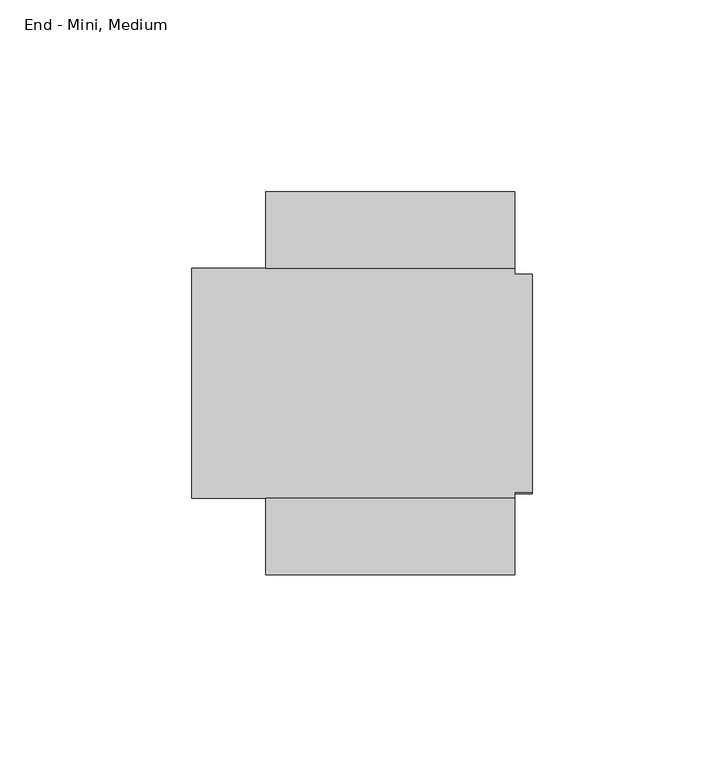
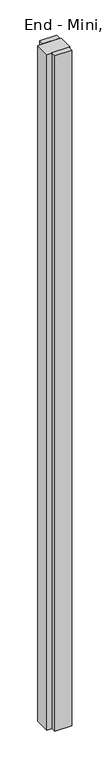
"""IFC4 building model written with IfcOpenShell, lengths in millimetres: furniture geometry, End - Mini, Medium."""

import ifcopenshell
import ifcopenshell.guid

model = None  # the IFC model being written
_history = None  # IfcOwnerHistory: only IFC2X3 demands one
_inside = {}  # id of a spatial element -> (the spatial element, [elements in it])
_under = {}  # id of a project, library or spatial element -> (it, [spatial elements below it])
_declared = {}  # id of a project -> (the project, [libraries it declares])
_typed = {}  # id of a type object -> (the type object, [elements of that type])
_made_of = {}  # id of a material, layer set ... -> (it, [elements and type objects made of it])


def new_model(schema):
    """Start an empty IFC model of exactly this schema.

    Asked for "IFC4X3", IfcOpenShell would pick the latest addendum, in which some entities
    have other attributes; the version numbers below select the first issue.
    IFC2X3 requires an IfcOwnerHistory on every rooted entity: one is made here for all.
    """
    global model, _history
    if schema == "IFC4X3":
        model = ifcopenshell.file(schema_version=(4, 3, 0, 0))
    else:
        model = ifcopenshell.file(schema=schema)
    _inside.clear()
    _under.clear()
    _declared.clear()
    _typed.clear()
    _made_of.clear()
    _history = None
    if model.schema == "IFC2X3":
        org = make("IfcOrganization", Name="unknown")
        user = make(
            "IfcPersonAndOrganization",
            ThePerson=make("IfcPerson", FamilyName="unknown"),
            TheOrganization=org,
        )
        app = make(
            "IfcApplication",
            ApplicationDeveloper=org,
            Version="unknown",
            ApplicationFullName="unknown",
            ApplicationIdentifier="unknown",
        )
        _history = make(
            "IfcOwnerHistory",
            OwningUser=user,
            OwningApplication=app,
            ChangeAction="ADDED",
            CreationDate=0,
        )
    return model


def make(cls, **values):
    """One entity of the class cls with the attributes given. An attribute that is None is left unset."""
    return model.create_entity(
        cls, **{name: value for name, value in values.items() if value is not None}
    )


def rooted(cls, **values):
    """An entity with a GlobalId (a new one), such as an element, a storey or a relation."""
    return make(cls, GlobalId=ifcopenshell.guid.new(), OwnerHistory=_history, **values)


def si_unit(unit_type, name, prefix=None):
    """IfcSIUnit, for example si_unit("LENGTHUNIT", "METRE", prefix="MILLI")."""
    return make("IfcSIUnit", UnitType=unit_type, Prefix=prefix, Name=name)


def assignment(units):
    """IfcUnitAssignment: the units of a project."""
    return None if units is None else make("IfcUnitAssignment", Units=units)


def point(xyz):
    """IfcCartesianPoint."""
    return None if xyz is None else make("IfcCartesianPoint", Coordinates=xyz)


def direction(xyz):
    """IfcDirection."""
    return None if xyz is None else make("IfcDirection", DirectionRatios=xyz)


def frame(location, z_axis=None, x_axis=None):
    """IfcAxis2Placement3D, a coordinate frame: its origin and axes. An axis left out is left unset."""
    return make(
        "IfcAxis2Placement3D",
        Location=point(location),
        Axis=direction(z_axis),
        RefDirection=direction(x_axis),
    )


def origin():
    """The frame at (0, 0, 0) with its axes left unset."""
    return frame((0.0, 0.0, 0.0))


def origin_with_axes():
    """The frame at (0, 0, 0) with the z axis (0, 0, 1) and the x axis (1, 0, 0) written out."""
    return frame((0.0, 0.0, 0.0), z_axis=(0.0, 0.0, 1.0), x_axis=(1.0, 0.0, 0.0))


def place(relative_to, where):
    """IfcLocalPlacement: puts the frame where relative to a parent placement (None: the world)."""
    return make(
        "IfcLocalPlacement", PlacementRelTo=relative_to, RelativePlacement=where
    )


def context(
    kind, dimensions, precision=None, world=None, true_north=None, identifier=None
):
    """IfcGeometricRepresentationContext, for example the 3D "Model" context."""
    return make(
        "IfcGeometricRepresentationContext",
        ContextIdentifier=identifier,
        ContextType=kind,
        CoordinateSpaceDimension=dimensions,
        Precision=precision,
        WorldCoordinateSystem=world,
        TrueNorth=true_north,
    )


def project(units=None, contexts=None):
    """IfcProject with its units and contexts."""
    return rooted(
        "IfcProject",
        Name="project",
        RepresentationContexts=contexts,
        UnitsInContext=assignment(units),
    )


def spatial(cls, under=None, at=None, **own):
    """A site, building, storey or space (cls), placed at a placement, below another one or the project."""
    s = rooted(cls, ObjectPlacement=at, **own)
    if under is not None:
        _under.setdefault(under.id(), (under, []))[1].append(s)
    return s


def polyline(points):
    """IfcPolyline through the points."""
    return make("IfcPolyline", Points=[point(p) for p in points])


def outline(outer, holes=None, kind="AREA"):
    """IfcArbitraryClosedProfileDef: a profile drawn as a closed curve; with holes, ...WithVoids."""
    if holes is None:
        return make("IfcArbitraryClosedProfileDef", ProfileType=kind, OuterCurve=outer)
    return make(
        "IfcArbitraryProfileDefWithVoids",
        ProfileType=kind,
        OuterCurve=outer,
        InnerCurves=holes,
    )


def extrude(swept, where, along, depth):
    """IfcExtrudedAreaSolid: the profile swept, set in the frame where, extruded along a direction by depth."""
    return make(
        "IfcExtrudedAreaSolid",
        SweptArea=swept,
        Position=where,
        ExtrudedDirection=direction(along),
        Depth=depth,
    )


def faces_of(points, faces, orient=None, outer=None):
    """IfcFace entities. A face is a list of loops; a loop is a list of indices into points, from 0.

    orient and outer hold one flag for each loop. By default every Orientation is true, the
    first loop of a face is its IfcFaceOuterBound and the others are IfcFaceBound.
    """
    made = []
    for i, loops in enumerate(faces):
        bounds = []
        for j, loop in enumerate(loops):
            is_outer = j == 0 if outer is None else outer[i][j]
            bounds.append(
                make(
                    "IfcFaceOuterBound" if is_outer else "IfcFaceBound",
                    Bound=make("IfcPolyLoop", Polygon=[points[k] for k in loop]),
                    Orientation=True if orient is None else orient[i][j],
                )
            )
        made.append(make("IfcFace", Bounds=bounds))
    return made


def faceted_brep(points, faces, orient=None, outer=None, voids=None):
    """IfcFacetedBrep: a solid bounded by flat faces; with voids (closed shells), ...WithVoids."""
    shared = [point(p) for p in points]
    hull = make("IfcClosedShell", CfsFaces=faces_of(shared, faces, orient, outer))
    if voids is None:
        return make("IfcFacetedBrep", Outer=hull)
    return make(
        "IfcFacetedBrepWithVoids",
        Outer=hull,
        Voids=[
            make(cls, CfsFaces=faces_of(shared, fs, o, b)) for cls, fs, o, b in voids
        ],
    )


def shape(context_of_items, identifier, shape_type, items):
    """IfcShapeRepresentation: the items that make up one representation, for example the "Body"."""
    return make(
        "IfcShapeRepresentation",
        ContextOfItems=context_of_items,
        RepresentationIdentifier=identifier,
        RepresentationType=shape_type,
        Items=items,
    )


def source(mapping_origin, context_of_items, identifier, shape_type, items):
    """IfcRepresentationMap: a shape defined once, which mapped items show again and again."""
    return make(
        "IfcRepresentationMap",
        MappingOrigin=mapping_origin,
        MappedRepresentation=shape(context_of_items, identifier, shape_type, items),
    )


def transform(
    local_origin,
    x_axis=None,
    y_axis=None,
    z_axis=None,
    scale=None,
    scale2=None,
    scale3=None,
    uniform=True,
):
    """IfcCartesianTransformationOperator3D, or its non-uniform kind. x_axis, y_axis, z_axis: its Axis1, 2, 3."""
    if uniform:
        return make(
            "IfcCartesianTransformationOperator3D",
            Axis1=direction(x_axis),
            Axis2=direction(y_axis),
            LocalOrigin=point(local_origin),
            Scale=scale,
            Axis3=direction(z_axis),
        )
    return make(
        "IfcCartesianTransformationOperator3DnonUniform",
        Axis1=direction(x_axis),
        Axis2=direction(y_axis),
        LocalOrigin=point(local_origin),
        Scale=scale,
        Axis3=direction(z_axis),
        Scale2=scale2,
        Scale3=scale3,
    )


def mapped(mapping_source, mapping_target):
    """IfcMappedItem: shows the shape of a source again, moved by a transform."""
    return make(
        "IfcMappedItem", MappingSource=mapping_source, MappingTarget=mapping_target
    )


def made_of(thing, what):
    """Note that an element or type object is made of a material, layer set ...; save() writes the relation."""
    if what is not None:
        _made_of.setdefault(what.id(), (what, []))[1].append(thing)
    return thing


def element(
    cls,
    number,
    at=None,
    inside=None,
    cuts=None,
    type_object=None,
    material=None,
    context=None,
    identifier="Body",
    shape_type=None,
    held_by="IfcProductDefinitionShape",
    body=None,
    shapes=None,
    **own,
):
    """One element of the class cls, such as IfcWall. Its Tag is "e" and its number.

    at: its placement. inside: the storey or other place that contains it. cuts: it is an
    opening in that element (IfcRelVoidsElement). A single representation is given by context,
    identifier, shape_type and body (its items); several are given by shapes. held_by: the class
    of the entity that holds the representations. save() writes the other relations.
    """
    e = rooted(cls, Tag="e%d" % number, ObjectPlacement=at, **own)
    if body is not None:
        shapes = [shape(context, identifier, shape_type, body)]
    if shapes is not None:
        e.Representation = make(held_by, Representations=shapes)
    if inside is not None:
        _inside.setdefault(inside.id(), (inside, []))[1].append(e)
    if cuts is not None:
        rooted(
            "IfcRelVoidsElement", RelatingBuildingElement=cuts, RelatedOpeningElement=e
        )
    if type_object is not None:
        _typed.setdefault(type_object.id(), (type_object, []))[1].append(e)
    return made_of(e, material)


def aggregate(whole, parts):
    """IfcRelAggregates: a whole, such as a stair, and the parts it consists of."""
    return rooted("IfcRelAggregates", RelatingObject=whole, RelatedObjects=parts)


def save(model, path):
    """Write the relations noted so far, then the file.

    IfcRelAggregates (storeys below a building ...), IfcRelContainedInSpatialStructure (elements
    in a storey), IfcRelDefinesByType, IfcRelAssociatesMaterial and IfcRelDeclares: one each for
    every whole, place, type object, material and project.
    """
    for whole, parts in _under.values():
        aggregate(whole, parts)
    for where, things in _inside.values():
        rooted(
            "IfcRelContainedInSpatialStructure",
            RelatedElements=things,
            RelatingStructure=where,
        )
    for kind, things in _typed.values():
        rooted("IfcRelDefinesByType", RelatedObjects=things, RelatingType=kind)
    for what, things in _made_of.values():
        rooted("IfcRelAssociatesMaterial", RelatedObjects=things, RelatingMaterial=what)
    for by, libraries in _declared.values():
        rooted("IfcRelDeclares", RelatingContext=by, RelatedDefinitions=libraries)
    model.write(path)


def end_mini_medium_00469305(model_context):
    return source(origin(), model_context, "Body", "SolidModel", [
        extrude(outline(polyline([(-69.4944, -2236.0001), (-4.4958, -2236.0001), (-4.4958, -2255.9899), (-69.4944, -2255.9899), (-69.4944, -2236.0001)])), origin_with_axes(), (0.0, 0.0, 1.0), 2743.2),
        extrude(outline(polyline([(-4.4958, -2335.9999), (-69.4944, -2335.9999), (-69.4944, -2316.0101), (-4.4958, -2316.0101), (-4.4958, -2335.9999)])), origin_with_axes(), (0.0, 0.0, 1.0), 2743.2),
        faceted_brep([(-4.4958, -2255.9899, 2743.2), (-88.9, -2255.9899, 2743.2), (-88.9, -2316.0101, 2743.2), (-4.4958, -2316.0101, 2743.2), (-4.4958, -2314.448, 2743.2), (0.0, -2314.448, 2743.2), (0.0, -2257.552, 2743.2), (-4.4958, -2257.552, 2743.2), (-4.4958, -2316.0101, 0.0), (-88.9, -2316.0101, 0.0), (-88.9, -2255.9899, 0.0), (-4.4958, -2255.9899, 0.0), (-4.4958, -2257.552, 0.0), (0.0, -2257.552, 0.0), (0.0, -2314.448, 0.0), (-4.4958, -2314.448, 0.0), (-4.4958, -2257.552, 2688.082), (-4.4958, -2260.854, 2688.082), (-4.4958, -2260.854, 55.118), (-4.4958, -2257.552, 55.118), (-4.4958, -2314.448, 55.118), (-4.4958, -2311.146, 55.118), (-4.4958, -2311.146, 2688.082), (-4.4958, -2314.448, 2688.082), (0.0, -2260.854, 55.118), (0.0, -2260.854, 2688.082), (0.0, -2257.552, 2688.082), (0.0, -2314.448, 2688.082), (0.0, -2311.146, 2688.082), (0.0, -2311.146, 55.118), (0.0, -2314.448, 55.118), (0.0, -2257.552, 55.118)], [[[0, 1, 2, 3, 4, 5, 6, 7]], [[8, 9, 10, 11, 12, 13, 14, 15]], [[1, 0, 11, 10]], [[2, 1, 10, 9]], [[3, 2, 9, 8]], [[11, 0, 7, 16, 17, 18, 19, 12]], [[3, 8, 15, 20, 21, 22, 23, 4]], [[24, 25, 26, 6, 5, 27, 28, 29, 30, 14, 13, 31]], [[25, 24, 18, 17]], [[26, 25, 17, 16]], [[6, 26, 16, 7]], [[27, 5, 4, 23]], [[28, 27, 23, 22]], [[29, 28, 22, 21]], [[30, 29, 21, 20]], [[14, 30, 20, 15]], [[31, 13, 12, 19]], [[24, 31, 19, 18]]]),
    ])


if __name__ == "__main__":
    model = new_model("IFC4")
    model_context = context("Model", 3, world=origin())
    ifc_project = project(units=[si_unit("LENGTHUNIT", "METRE", prefix="MILLI")], contexts=[model_context])
    site = spatial("IfcSite", under=ifc_project)
    building = spatial("IfcBuilding", under=site)
    placement = place(None, origin())
    end_mini_medium_shape = end_mini_medium_00469305(model_context)
    element("IfcFurniture", 1, ObjectType="End - Mini, Medium", at=placement, inside=building, context=model_context, shape_type="MappedRepresentation", body=[
        mapped(end_mini_medium_shape, transform((0.0, 0.0, 0.0), x_axis=(1.0, 0.0, 0.0), y_axis=(0.0, 1.0, 0.0), z_axis=(0.0, 0.0, 1.0))),
    ])
    save(model, "model.ifc")
